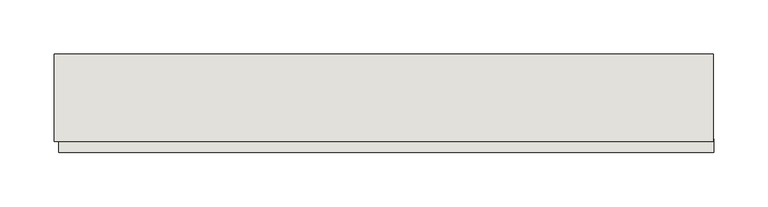
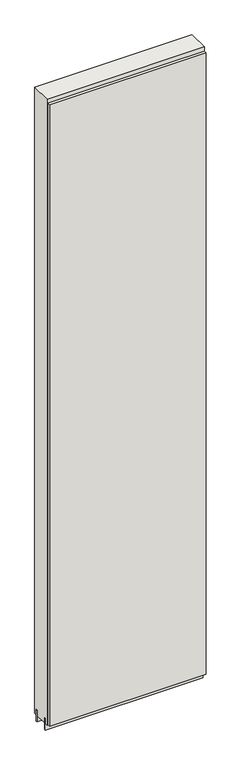
"""IFC4 building model written with IfcOpenShell, lengths in millimetres: wall geometry."""

from ifc_helpers import new_model, si_unit, frame, origin, place, context, project, spatial, polyline, outline, extrude, source, transform, mapped, element, save


def wall_e09b5dcb(model_context):
    return source(origin(), model_context, "Body", "SweptSolid", [
        extrude(outline(polyline([(49581.9918696, -47669.4636398), (49584.5318696, -47669.4636398), (49584.5318696, -47672.0036398), (49581.9918696, -47672.0036398), (49581.9918696, -47669.4636398)])), frame((0.0, 0.0, 4419.6), z_axis=(0.0, 0.0, 1.0), x_axis=(1.0, 0.0, 0.0)), (0.0, 0.0, 1.0), 2.54),
        extrude(outline(polyline([(49584.997096, -47721.5336398), (48978.8719684, -47721.5336398), (48978.8719684, -47708.8336398), (49584.997096, -47708.8336398), (49584.997096, -47721.5336398)])), frame((0.0, 0.0, 4445.0), z_axis=(0.0, 0.0, 1.0), x_axis=(1.0, 0.0, 0.0)), (0.0, 0.0, 1.0), 2545.0498756),
        extrude(outline(polyline([(48974.3998158, -47695.8142856), (49584.5331142, -47695.8142856), (49584.5331142, -47700.8961398), (48974.3998158, -47700.8961398), (48974.3998158, -47695.8142856)])), frame((0.0, 0.0, 4418.6602), z_axis=(0.0, 0.0, 1.0), x_axis=(1.0, 0.0, 0.0)), (0.0, 0.0, 1.0), 47.625),
        extrude(outline(polyline([(48974.3998158, -47695.8142856), (49584.5331142, -47695.8142856), (49584.5331142, -47700.8961398), (48974.3998158, -47700.8961398), (48974.3998158, -47695.8142856)])), frame((0.0, 0.0, 4418.6602), z_axis=(0.0, 0.0, 1.0), x_axis=(1.0, 0.0, 0.0)), (0.0, 0.0, 1.0), 47.625),
        extrude(outline(polyline([(49584.5331142, -47645.6498952), (48974.3998158, -47645.6498952), (48974.3998158, -47640.5711398), (49584.5331142, -47640.5711398), (49584.5331142, -47645.6498952)])), frame((0.0, 0.0, 4418.6602), z_axis=(0.0, 0.0, 1.0), x_axis=(1.0, 0.0, 0.0)), (0.0, 0.0, 1.0), 47.625),
        extrude(outline(polyline([(49584.5331142, -47645.6498952), (48974.3998158, -47645.6498952), (48974.3998158, -47640.5711398), (49584.5331142, -47640.5711398), (49584.5331142, -47645.6498952)])), frame((0.0, 0.0, 4418.6602), z_axis=(0.0, 0.0, 1.0), x_axis=(1.0, 0.0, 0.0)), (0.0, 0.0, 1.0), 47.625),
        extrude(outline(polyline([(48974.3998158, -47711.3854254), (48974.3998158, -47630.10667), (49584.5331142, -47630.10667), (49584.5331142, -47711.3854254), (48974.3998158, -47711.3854254)])), frame((0.0, 0.0, 4445.0), z_axis=(0.0, 0.0, 1.0), x_axis=(1.0, 0.0, 0.0)), (0.0, 0.0, 1.0), 2562.4536762),
    ])


if __name__ == "__main__":
    model = new_model("IFC4")
    model_context = context("Model", 3, world=origin())
    ifc_project = project(units=[si_unit("LENGTHUNIT", "METRE", prefix="MILLI")], contexts=[model_context])
    site = spatial("IfcSite", under=ifc_project)
    building = spatial("IfcBuilding", under=site)
    placement = place(None, origin())
    wall_shape = wall_e09b5dcb(model_context)
    element("IfcWall", 1, at=placement, inside=building, context=model_context, shape_type="MappedRepresentation", body=[
        mapped(wall_shape, transform((0.0, 0.0, 0.0), x_axis=(1.0, 0.0, 0.0), y_axis=(0.0, 1.0, 0.0), z_axis=(0.0, 0.0, 1.0))),
    ])
    save(model, "model.ifc")
